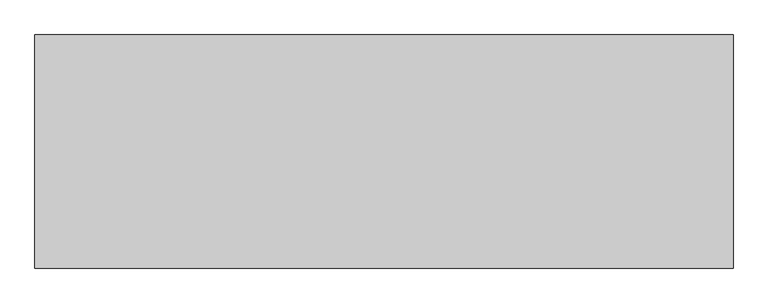
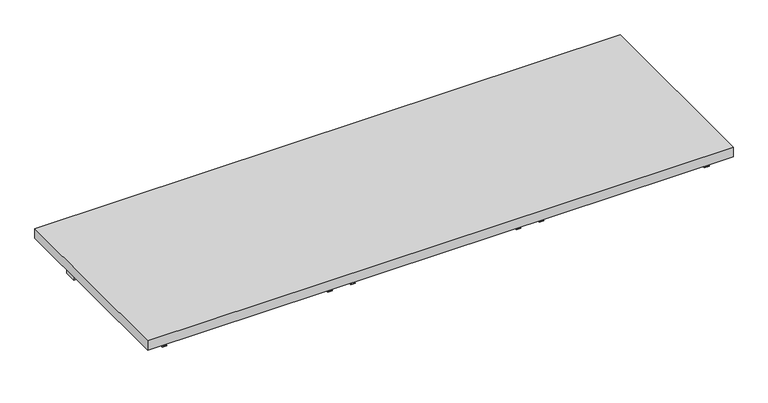
"""IFC4 building model written with IfcOpenShell, lengths in millimetres: furniture geometry."""

from ifc_helpers import new_model, si_unit, frame, origin, place, context, project, spatial, polyline, outline, extrude, source, transform, mapped, element, save


def furniture_04291885(model_context):
    return source(origin(), model_context, "Body", "SweptSolid", [
        extrude(outline(polyline([(1522.4125, 177.8), (1522.4125, -431.8), (-303.2125, -431.8), (-303.2125, 177.8), (1522.4125, 177.8)])), frame((0.0, 0.0, 882.65), z_axis=(0.0, 0.0, 1.0), x_axis=(1.0, 0.0, 0.0)), (0.0, 0.0, 1.0), 31.75),
        extrude(outline(polyline([(1489.075, 63.5), (1489.075, 25.4), (-269.875, 25.4), (-269.875, 63.5), (1489.075, 63.5)])), frame((0.0, 0.0, 825.5), z_axis=(0.0, 0.0, 1.0), x_axis=(1.0, 0.0, 0.0)), (0.0, 0.0, 1.0), 57.15),
        extrude(outline(polyline([(857.25, 287.3375), (882.65, 287.3375), (882.65, 285.75), (858.8375, 285.75), (858.8375, 273.05), (857.25, 273.05), (857.25, 287.3375)])), frame((0.0, -406.4, 0.0), z_axis=(0.0, 1.0, 0.0), x_axis=(0.0, 0.0, 1.0)), (0.0, 0.0, 1.0), 390.525),
        extrude(outline(polyline([(858.8375, -228.6), (858.8375, -241.3), (882.65, -241.3), (882.65, -242.8875), (857.25, -242.8875), (857.25, -228.6), (858.8375, -228.6)])), frame((0.0, -406.4, 0.0), z_axis=(0.0, 1.0, 0.0), x_axis=(0.0, 0.0, 1.0)), (0.0, 0.0, 1.0), 390.525),
        extrude(outline(polyline([(858.8375, 946.15), (858.8375, 933.45), (882.65, 933.45), (882.65, 931.8625), (857.25, 931.8625), (857.25, 946.15), (858.8375, 946.15)])), frame((0.0, -406.4, 0.0), z_axis=(0.0, 1.0, 0.0), x_axis=(0.0, 0.0, 1.0)), (0.0, 0.0, 1.0), 390.525),
        extrude(outline(polyline([(858.8375, 1460.5), (858.8375, 1447.8), (857.25, 1447.8), (857.25, 1462.0875), (882.65, 1462.0875), (882.65, 1460.5), (858.8375, 1460.5)])), frame((0.0, -406.4, 0.0), z_axis=(0.0, 1.0, 0.0), x_axis=(0.0, 0.0, 1.0)), (0.0, 0.0, 1.0), 390.525),
        extrude(outline(polyline([(858.8375, 933.45), (882.65, 933.45), (882.65, 931.8625), (857.25, 931.8625), (857.25, 946.15), (858.8375, 946.15), (858.8375, 933.45)])), frame((0.0, -406.4, 0.0), z_axis=(0.0, 1.0, 0.0), x_axis=(0.0, 0.0, 1.0)), (0.0, 0.0, 1.0), 390.525),
        extrude(outline(polyline([(858.8375, 285.75), (858.8375, 273.05), (857.25, 273.05), (857.25, 287.3375), (882.65, 287.3375), (882.65, 285.75), (858.8375, 285.75)])), frame((0.0, -406.4, 0.0), z_axis=(0.0, 1.0, 0.0), x_axis=(0.0, 0.0, 1.0)), (0.0, 0.0, 1.0), 390.525),
        extrude(outline(polyline([(858.8375, 346.075), (882.65, 346.075), (882.65, 344.4875), (857.25, 344.4875), (857.25, 358.775), (858.8375, 358.775), (858.8375, 346.075)])), frame((0.0, -406.4, 0.0), z_axis=(0.0, 1.0, 0.0), x_axis=(0.0, 0.0, 1.0)), (0.0, 0.0, 1.0), 390.525),
        extrude(outline(polyline([(858.8375, 873.125), (858.8375, 860.425), (857.25, 860.425), (857.25, 874.7125), (882.65, 874.7125), (882.65, 873.125), (858.8375, 873.125)])), frame((0.0, -406.4, 0.0), z_axis=(0.0, 1.0, 0.0), x_axis=(0.0, 0.0, 1.0)), (0.0, 0.0, 1.0), 390.525),
    ])


if __name__ == "__main__":
    model = new_model("IFC4")
    model_context = context("Model", 3, world=origin())
    ifc_project = project(units=[si_unit("LENGTHUNIT", "METRE", prefix="MILLI")], contexts=[model_context])
    site = spatial("IfcSite", under=ifc_project)
    building = spatial("IfcBuilding", under=site)
    placement = place(None, origin())
    furniture_shape = furniture_04291885(model_context)
    element("IfcFurniture", 1, at=placement, inside=building, context=model_context, shape_type="MappedRepresentation", body=[
        mapped(furniture_shape, transform((0.0, 0.0, 0.0), x_axis=(1.0, 0.0, 0.0), y_axis=(0.0, 1.0, 0.0), z_axis=(0.0, 0.0, 1.0))),
    ])
    save(model, "model.ifc")
